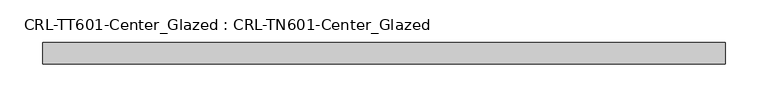
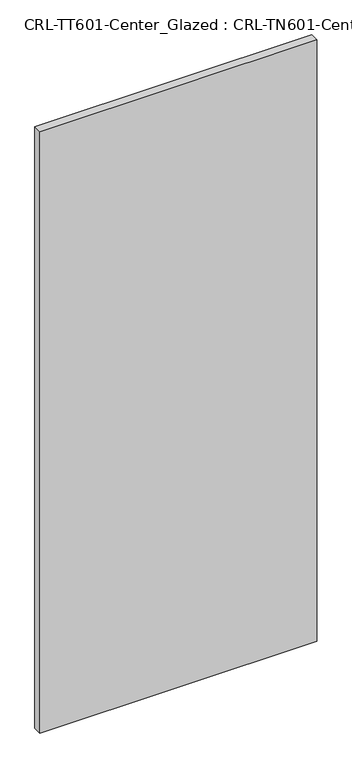
"""IFC4 building model written with IfcOpenShell, lengths in millimetres: plate geometry, CRL-TT601-Center_Glazed : CRL-TN601-Center_Glazed."""

from ifc_helpers import new_model, si_unit, origin, origin_with_axes, place, context, project, spatial, polyline, outline, extrude, source, transform, mapped, element, save


def crl_tt601_center_glazed_crl_tn601_center_glazed_26c5fb71(model_context):
    return source(origin(), model_context, "Body", "SweptSolid", [
        extrude(outline(polyline([(-400.6938146, -12.7254), (-400.6938146, 12.6746), (400.6938146, 12.6746), (400.6938146, -12.7254), (-400.6938146, -12.7254)])), origin_with_axes(), (0.0, 0.0, 1.0), 1841.355463),
    ])


if __name__ == "__main__":
    model = new_model("IFC4")
    model_context = context("Model", 3, world=origin())
    ifc_project = project(units=[si_unit("LENGTHUNIT", "METRE", prefix="MILLI")], contexts=[model_context])
    site = spatial("IfcSite", under=ifc_project)
    building = spatial("IfcBuilding", under=site)
    placement = place(None, origin())
    crl_tt601_center_glazed_crl_tn601_center_glazed_shape = crl_tt601_center_glazed_crl_tn601_center_glazed_26c5fb71(model_context)
    element("IfcPlate", 1, ObjectType="CRL-TT601-Center_Glazed : CRL-TN601-Center_Glazed", at=placement, inside=building, context=model_context, shape_type="MappedRepresentation", body=[
        mapped(crl_tt601_center_glazed_crl_tn601_center_glazed_shape, transform((0.0, 0.0, 0.0), x_axis=(1.0, 0.0, 0.0), y_axis=(0.0, 1.0, 0.0), z_axis=(0.0, 0.0, 1.0))),
    ])
    save(model, "model.ifc")
